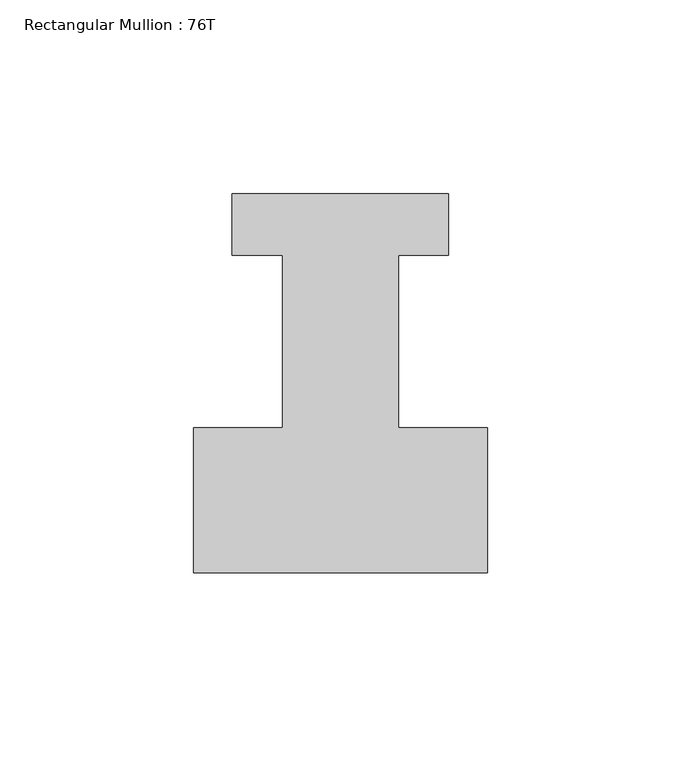
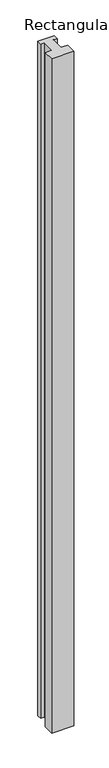
"""IFC4 building model written with IfcOpenShell, lengths in millimetres: member geometry, Rectangular Mullion : 76T."""

from ifc_helpers import new_model, si_unit, frame, origin, place, context, project, spatial, polyline, outline, extrude, source, transform, mapped, element, save


def rectangular_mullion_76t_6bd0f16d(model_context):
    return source(origin(), model_context, "Body", "SweptSolid", [
        extrude(outline(polyline([(38.0, -38.0), (-38.0, -38.0), (-38.0, -0.5), (-15.0, -0.5), (-15.0, 44.0), (-28.0, 44.0), (-28.0, 60.0), (28.0, 60.0), (28.0, 44.0), (15.0, 44.0), (15.0, -0.5), (38.0, -0.5), (38.0, -38.0)])), frame((0.0, 0.0, -2424.0), z_axis=(0.0, 0.0, 1.0), x_axis=(1.0, 0.0, 0.0)), (0.0, 0.0, 1.0), 2424.0),
    ])


if __name__ == "__main__":
    model = new_model("IFC4")
    model_context = context("Model", 3, world=origin())
    ifc_project = project(units=[si_unit("LENGTHUNIT", "METRE", prefix="MILLI")], contexts=[model_context])
    site = spatial("IfcSite", under=ifc_project)
    building = spatial("IfcBuilding", under=site)
    placement = place(None, origin())
    rectangular_mullion_76t_shape = rectangular_mullion_76t_6bd0f16d(model_context)
    element("IfcMember", 1, ObjectType="Rectangular Mullion : 76T", at=placement, inside=building, context=model_context, shape_type="MappedRepresentation", body=[
        mapped(rectangular_mullion_76t_shape, transform((0.0, 0.0, 0.0), x_axis=(1.0, 0.0, 0.0), y_axis=(0.0, 1.0, 0.0), z_axis=(0.0, 0.0, 1.0))),
    ])
    save(model, "model.ifc")
